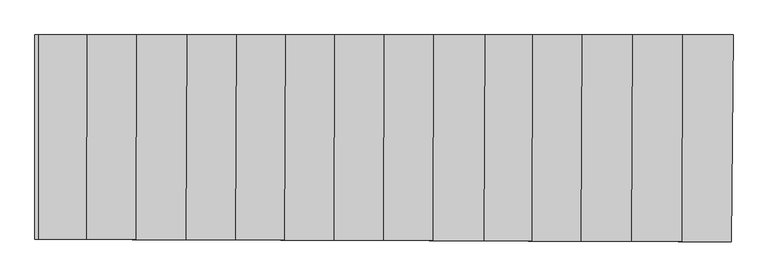
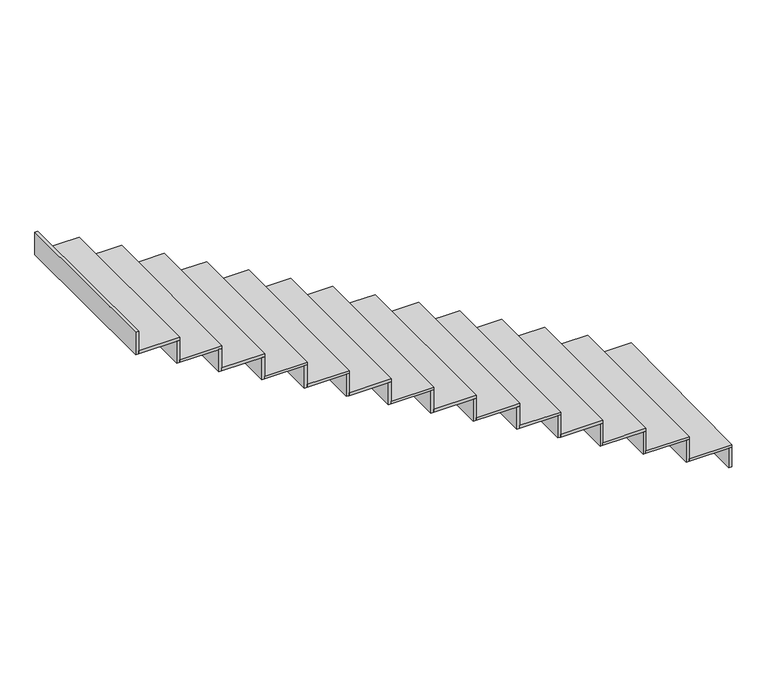
"""IFC4 building model written with IfcOpenShell, lengths in millimetres: stair flight geometry."""

import ifcopenshell
import ifcopenshell.guid

model = None  # the IFC model being written
_history = None  # IfcOwnerHistory: only IFC2X3 demands one
_inside = {}  # id of a spatial element -> (the spatial element, [elements in it])
_under = {}  # id of a project, library or spatial element -> (it, [spatial elements below it])
_declared = {}  # id of a project -> (the project, [libraries it declares])
_typed = {}  # id of a type object -> (the type object, [elements of that type])
_made_of = {}  # id of a material, layer set ... -> (it, [elements and type objects made of it])


def new_model(schema):
    """Start an empty IFC model of exactly this schema.

    Asked for "IFC4X3", IfcOpenShell would pick the latest addendum, in which some entities
    have other attributes; the version numbers below select the first issue.
    IFC2X3 requires an IfcOwnerHistory on every rooted entity: one is made here for all.
    """
    global model, _history
    if schema == "IFC4X3":
        model = ifcopenshell.file(schema_version=(4, 3, 0, 0))
    else:
        model = ifcopenshell.file(schema=schema)
    _inside.clear()
    _under.clear()
    _declared.clear()
    _typed.clear()
    _made_of.clear()
    _history = None
    if model.schema == "IFC2X3":
        org = make("IfcOrganization", Name="unknown")
        user = make(
            "IfcPersonAndOrganization",
            ThePerson=make("IfcPerson", FamilyName="unknown"),
            TheOrganization=org,
        )
        app = make(
            "IfcApplication",
            ApplicationDeveloper=org,
            Version="unknown",
            ApplicationFullName="unknown",
            ApplicationIdentifier="unknown",
        )
        _history = make(
            "IfcOwnerHistory",
            OwningUser=user,
            OwningApplication=app,
            ChangeAction="ADDED",
            CreationDate=0,
        )
    return model


def make(cls, **values):
    """One entity of the class cls with the attributes given. An attribute that is None is left unset."""
    return model.create_entity(
        cls, **{name: value for name, value in values.items() if value is not None}
    )


def rooted(cls, **values):
    """An entity with a GlobalId (a new one), such as an element, a storey or a relation."""
    return make(cls, GlobalId=ifcopenshell.guid.new(), OwnerHistory=_history, **values)


def si_unit(unit_type, name, prefix=None):
    """IfcSIUnit, for example si_unit("LENGTHUNIT", "METRE", prefix="MILLI")."""
    return make("IfcSIUnit", UnitType=unit_type, Prefix=prefix, Name=name)


def assignment(units):
    """IfcUnitAssignment: the units of a project."""
    return None if units is None else make("IfcUnitAssignment", Units=units)


def point(xyz):
    """IfcCartesianPoint."""
    return None if xyz is None else make("IfcCartesianPoint", Coordinates=xyz)


def direction(xyz):
    """IfcDirection."""
    return None if xyz is None else make("IfcDirection", DirectionRatios=xyz)


def frame(location, z_axis=None, x_axis=None):
    """IfcAxis2Placement3D, a coordinate frame: its origin and axes. An axis left out is left unset."""
    return make(
        "IfcAxis2Placement3D",
        Location=point(location),
        Axis=direction(z_axis),
        RefDirection=direction(x_axis),
    )


def origin():
    """The frame at (0, 0, 0) with its axes left unset."""
    return frame((0.0, 0.0, 0.0))


def place(relative_to, where):
    """IfcLocalPlacement: puts the frame where relative to a parent placement (None: the world)."""
    return make(
        "IfcLocalPlacement", PlacementRelTo=relative_to, RelativePlacement=where
    )


def context(
    kind, dimensions, precision=None, world=None, true_north=None, identifier=None
):
    """IfcGeometricRepresentationContext, for example the 3D "Model" context."""
    return make(
        "IfcGeometricRepresentationContext",
        ContextIdentifier=identifier,
        ContextType=kind,
        CoordinateSpaceDimension=dimensions,
        Precision=precision,
        WorldCoordinateSystem=world,
        TrueNorth=true_north,
    )


def project(units=None, contexts=None):
    """IfcProject with its units and contexts."""
    return rooted(
        "IfcProject",
        Name="project",
        RepresentationContexts=contexts,
        UnitsInContext=assignment(units),
    )


def spatial(cls, under=None, at=None, **own):
    """A site, building, storey or space (cls), placed at a placement, below another one or the project."""
    s = rooted(cls, ObjectPlacement=at, **own)
    if under is not None:
        _under.setdefault(under.id(), (under, []))[1].append(s)
    return s


def polyline(points):
    """IfcPolyline through the points."""
    return make("IfcPolyline", Points=[point(p) for p in points])


def outline(outer, holes=None, kind="AREA"):
    """IfcArbitraryClosedProfileDef: a profile drawn as a closed curve; with holes, ...WithVoids."""
    if holes is None:
        return make("IfcArbitraryClosedProfileDef", ProfileType=kind, OuterCurve=outer)
    return make(
        "IfcArbitraryProfileDefWithVoids",
        ProfileType=kind,
        OuterCurve=outer,
        InnerCurves=holes,
    )


def extrude(swept, where, along, depth):
    """IfcExtrudedAreaSolid: the profile swept, set in the frame where, extruded along a direction by depth."""
    return make(
        "IfcExtrudedAreaSolid",
        SweptArea=swept,
        Position=where,
        ExtrudedDirection=direction(along),
        Depth=depth,
    )


def shape(context_of_items, identifier, shape_type, items):
    """IfcShapeRepresentation: the items that make up one representation, for example the "Body"."""
    return make(
        "IfcShapeRepresentation",
        ContextOfItems=context_of_items,
        RepresentationIdentifier=identifier,
        RepresentationType=shape_type,
        Items=items,
    )


def source(mapping_origin, context_of_items, identifier, shape_type, items):
    """IfcRepresentationMap: a shape defined once, which mapped items show again and again."""
    return make(
        "IfcRepresentationMap",
        MappingOrigin=mapping_origin,
        MappedRepresentation=shape(context_of_items, identifier, shape_type, items),
    )


def transform(
    local_origin,
    x_axis=None,
    y_axis=None,
    z_axis=None,
    scale=None,
    scale2=None,
    scale3=None,
    uniform=True,
):
    """IfcCartesianTransformationOperator3D, or its non-uniform kind. x_axis, y_axis, z_axis: its Axis1, 2, 3."""
    if uniform:
        return make(
            "IfcCartesianTransformationOperator3D",
            Axis1=direction(x_axis),
            Axis2=direction(y_axis),
            LocalOrigin=point(local_origin),
            Scale=scale,
            Axis3=direction(z_axis),
        )
    return make(
        "IfcCartesianTransformationOperator3DnonUniform",
        Axis1=direction(x_axis),
        Axis2=direction(y_axis),
        LocalOrigin=point(local_origin),
        Scale=scale,
        Axis3=direction(z_axis),
        Scale2=scale2,
        Scale3=scale3,
    )


def mapped(mapping_source, mapping_target):
    """IfcMappedItem: shows the shape of a source again, moved by a transform."""
    return make(
        "IfcMappedItem", MappingSource=mapping_source, MappingTarget=mapping_target
    )


def made_of(thing, what):
    """Note that an element or type object is made of a material, layer set ...; save() writes the relation."""
    if what is not None:
        _made_of.setdefault(what.id(), (what, []))[1].append(thing)
    return thing


def element(
    cls,
    number,
    at=None,
    inside=None,
    cuts=None,
    type_object=None,
    material=None,
    context=None,
    identifier="Body",
    shape_type=None,
    held_by="IfcProductDefinitionShape",
    body=None,
    shapes=None,
    **own,
):
    """One element of the class cls, such as IfcWall. Its Tag is "e" and its number.

    at: its placement. inside: the storey or other place that contains it. cuts: it is an
    opening in that element (IfcRelVoidsElement). A single representation is given by context,
    identifier, shape_type and body (its items); several are given by shapes. held_by: the class
    of the entity that holds the representations. save() writes the other relations.
    """
    e = rooted(cls, Tag="e%d" % number, ObjectPlacement=at, **own)
    if body is not None:
        shapes = [shape(context, identifier, shape_type, body)]
    if shapes is not None:
        e.Representation = make(held_by, Representations=shapes)
    if inside is not None:
        _inside.setdefault(inside.id(), (inside, []))[1].append(e)
    if cuts is not None:
        rooted(
            "IfcRelVoidsElement", RelatingBuildingElement=cuts, RelatedOpeningElement=e
        )
    if type_object is not None:
        _typed.setdefault(type_object.id(), (type_object, []))[1].append(e)
    return made_of(e, material)


def aggregate(whole, parts):
    """IfcRelAggregates: a whole, such as a stair, and the parts it consists of."""
    return rooted("IfcRelAggregates", RelatingObject=whole, RelatedObjects=parts)


def save(model, path):
    """Write the relations noted so far, then the file.

    IfcRelAggregates (storeys below a building ...), IfcRelContainedInSpatialStructure (elements
    in a storey), IfcRelDefinesByType, IfcRelAssociatesMaterial and IfcRelDeclares: one each for
    every whole, place, type object, material and project.
    """
    for whole, parts in _under.values():
        aggregate(whole, parts)
    for where, things in _inside.values():
        rooted(
            "IfcRelContainedInSpatialStructure",
            RelatedElements=things,
            RelatingStructure=where,
        )
    for kind, things in _typed.values():
        rooted("IfcRelDefinesByType", RelatedObjects=things, RelatingType=kind)
    for what, things in _made_of.values():
        rooted("IfcRelAssociatesMaterial", RelatedObjects=things, RelatingMaterial=what)
    for by, libraries in _declared.values():
        rooted("IfcRelDeclares", RelatingContext=by, RelatedDefinitions=libraries)
    model.write(path)


def stair_flight_443aabad(model_context):
    return source(origin(), model_context, "Body", "SweptSolid", [
        extrude(outline(polyline([(60160.1308623, 1840.863915), (60180.131643, 1840.863915), (60169.4164849, 628.2266342), (60149.4163211, 628.2964597), (60160.1308623, 1840.863915)])), frame((0.0, 0.0, -2406.5), z_axis=(0.0, 0.0, 1.0), x_axis=(1.0, 0.0, 0.0)), (0.0, 0.0, 1.0), 141.1864079),
        extrude(outline(polyline([(59878.0318283, 629.2439304), (59882.328449, 1840.863915), (60180.131643, 1840.863915), (60169.4164849, 628.2266342), (59878.0318283, 629.2439304)])), frame((0.0, 0.0, -2265.3135921), z_axis=(0.0, 0.0, 1.0), x_axis=(1.0, 0.0, 0.0)), (0.0, 0.0, 1.0), 20.0),
        extrude(outline(polyline([(59862.3283232, 1840.863915), (59882.328449, 1840.863915), (59878.0318283, 629.2439304), (59858.0319502, 629.313755), (59862.3283232, 1840.863915)])), frame((0.0, 0.0, -2265.3135921), z_axis=(0.0, 0.0, 1.0), x_axis=(1.0, 0.0, 0.0)), (0.0, 0.0, 1.0), 161.1864079),
        extrude(outline(polyline([(59583.03372, 630.2738421), (59587.3266884, 1840.863915), (59882.328449, 1840.863915), (59878.0318283, 629.2439304), (59583.03372, 630.2738421)])), frame((0.0, 0.0, -2104.1271841), z_axis=(0.0, 0.0, 1.0), x_axis=(1.0, 0.0, 0.0)), (0.0, 0.0, 1.0), 20.0),
        extrude(outline(polyline([(59567.3265627, 1840.863915), (59587.3266884, 1840.863915), (59583.03372, 630.2738421), (59563.0338419, 630.3436667), (59567.3265627, 1840.863915)])), frame((0.0, 0.0, -2104.1271841), z_axis=(0.0, 0.0, 1.0), x_axis=(1.0, 0.0, 0.0)), (0.0, 0.0, 1.0), 161.1864079),
        extrude(outline(polyline([(59288.0356117, 631.3037538), (59292.3249279, 1840.863915), (59587.3266884, 1840.863915), (59583.03372, 630.2738421), (59288.0356117, 631.3037538)])), frame((0.0, 0.0, -1942.9407762), z_axis=(0.0, 0.0, 1.0), x_axis=(1.0, 0.0, 0.0)), (0.0, 0.0, 1.0), 20.0),
        extrude(outline(polyline([(59272.3248021, 1840.863915), (59292.3249279, 1840.863915), (59288.0356117, 631.3037538), (59268.0357336, 631.3735784), (59272.3248021, 1840.863915)])), frame((0.0, 0.0, -1942.9407762), z_axis=(0.0, 0.0, 1.0), x_axis=(1.0, 0.0, 0.0)), (0.0, 0.0, 1.0), 161.1864079),
        extrude(outline(polyline([(58998.0373158, 632.3162099), (59002.3230416, 1840.863915), (59292.3249279, 1840.863915), (59288.0356117, 631.3037538), (58998.0373158, 632.3162099)])), frame((0.0, 0.0, -1781.7543683), z_axis=(0.0, 0.0, 1.0), x_axis=(1.0, 0.0, 0.0)), (0.0, 0.0, 1.0), 20.0),
        extrude(outline(polyline([(58982.3229158, 1840.863915), (59002.3230416, 1840.863915), (58998.0373158, 632.3162099), (58978.0374376, 632.3860345), (58982.3229158, 1840.863915)])), frame((0.0, 0.0, -1781.7543683), z_axis=(0.0, 0.0, 1.0), x_axis=(1.0, 0.0, 0.0)), (0.0, 0.0, 1.0), 161.1864079),
        extrude(outline(polyline([(58718.0390217, 633.2937535), (58722.321281, 1840.863915), (59002.3230416, 1840.863915), (58998.0373158, 632.3162099), (58718.0390217, 633.2937535)])), frame((0.0, 0.0, -1620.5679604), z_axis=(0.0, 0.0, 1.0), x_axis=(1.0, 0.0, 0.0)), (0.0, 0.0, 1.0), 20.0),
        extrude(outline(polyline([(58702.3211553, 1840.863915), (58722.321281, 1840.863915), (58718.0390217, 633.2937535), (58698.0391436, 633.3635781), (58702.3211553, 1840.863915)])), frame((0.0, 0.0, -1620.5679604), z_axis=(0.0, 0.0, 1.0), x_axis=(1.0, 0.0, 0.0)), (0.0, 0.0, 1.0), 161.1864079),
        extrude(outline(polyline([(58418.0408496, 634.3411217), (58422.3193947, 1840.863915), (58722.321281, 1840.863915), (58718.0390217, 633.2937535), (58418.0408496, 634.3411217)])), frame((0.0, 0.0, -1459.3815524), z_axis=(0.0, 0.0, 1.0), x_axis=(1.0, 0.0, 0.0)), (0.0, 0.0, 1.0), 20.0),
        extrude(outline(polyline([(58402.319269, 1840.863915), (58422.3193947, 1840.863915), (58418.0408496, 634.3411217), (58398.0409715, 634.4109463), (58402.319269, 1840.863915)])), frame((0.0, 0.0, -1459.3815524), z_axis=(0.0, 0.0, 1.0), x_axis=(1.0, 0.0, 0.0)), (0.0, 0.0, 1.0), 161.1864079),
        extrude(outline(polyline([(58128.0426794, 635.3535774), (58132.3176342, 1840.863915), (58422.3193947, 1840.863915), (58418.0408496, 634.3411217), (58128.0426794, 635.3535774)])), frame((0.0, 0.0, -1298.1951445), z_axis=(0.0, 0.0, 1.0), x_axis=(1.0, 0.0, 0.0)), (0.0, 0.0, 1.0), 20.0),
        extrude(outline(polyline([(58112.3175084, 1840.863915), (58132.3176342, 1840.863915), (58128.0426794, 635.3535774), (58108.0428013, 635.4234019), (58112.3175084, 1840.863915)])), frame((0.0, 0.0, -1298.1951445), z_axis=(0.0, 0.0, 1.0), x_axis=(1.0, 0.0, 0.0)), (0.0, 0.0, 1.0), 161.1864079),
        extrude(outline(polyline([(57838.0443835, 636.3660335), (57842.3157479, 1840.863915), (58132.3176342, 1840.863915), (58128.0426794, 635.3535774), (57838.0443835, 636.3660335)])), frame((0.0, 0.0, -1137.0087366), z_axis=(0.0, 0.0, 1.0), x_axis=(1.0, 0.0, 0.0)), (0.0, 0.0, 1.0), 20.0),
        extrude(outline(polyline([(57822.3156221, 1840.863915), (57842.3157479, 1840.863915), (57838.0443835, 636.3660335), (57818.0445053, 636.435858), (57822.3156221, 1840.863915)])), frame((0.0, 0.0, -1137.0087366), z_axis=(0.0, 0.0, 1.0), x_axis=(1.0, 0.0, 0.0)), (0.0, 0.0, 1.0), 161.1864079),
        extrude(outline(polyline([(57548.0462133, 637.3784892), (57552.3139873, 1840.863915), (57842.3157479, 1840.863915), (57838.0443835, 636.3660335), (57548.0462133, 637.3784892)])), frame((0.0, 0.0, -975.8223286), z_axis=(0.0, 0.0, 1.0), x_axis=(1.0, 0.0, 0.0)), (0.0, 0.0, 1.0), 20.0),
        extrude(outline(polyline([(57532.3138616, 1840.863915), (57552.3139873, 1840.863915), (57548.0462133, 637.3784892), (57528.0463351, 637.4483137), (57532.3138616, 1840.863915)])), frame((0.0, 0.0, -975.8223286), z_axis=(0.0, 0.0, 1.0), x_axis=(1.0, 0.0, 0.0)), (0.0, 0.0, 1.0), 161.1864079),
        extrude(outline(polyline([(57260.9617498, 638.3807724), (57265.2259696, 1840.863915), (57552.3139873, 1840.863915), (57548.0462133, 637.3784892), (57260.9617498, 638.3807724)])), frame((0.0, 0.0, -814.6359207), z_axis=(0.0, 0.0, 1.0), x_axis=(1.0, 0.0, 0.0)), (0.0, 0.0, 1.0), 20.0),
        extrude(outline(polyline([(57245.2258439, 1840.863915), (57265.2259696, 1840.863915), (57260.9617498, 638.3807724), (57240.9618717, 638.4505969), (57245.2258439, 1840.863915)])), frame((0.0, 0.0, -814.6359207), z_axis=(0.0, 0.0, 1.0), x_axis=(1.0, 0.0, 0.0)), (0.0, 0.0, 1.0), 161.1864079),
        extrude(outline(polyline([(56970.8788963, 639.3935237), (56975.1395247, 1840.863915), (57265.2259696, 1840.863915), (57260.9617498, 638.3807724), (56970.8788963, 639.3935237)])), frame((0.0, 0.0, -653.4495128), z_axis=(0.0, 0.0, 1.0), x_axis=(1.0, 0.0, 0.0)), (0.0, 0.0, 1.0), 20.0),
        extrude(outline(polyline([(56955.139399, 1840.863915), (56975.1395247, 1840.863915), (56970.8788963, 639.3935237), (56950.8790182, 639.4633482), (56955.139399, 1840.863915)])), frame((0.0, 0.0, -653.4495128), z_axis=(0.0, 0.0, 1.0), x_axis=(1.0, 0.0, 0.0)), (0.0, 0.0, 1.0), 161.1864079),
        extrude(outline(polyline([(56675.8807566, 640.4234355), (56680.1377327, 1840.863915), (56975.1395247, 1840.863915), (56970.8788963, 639.3935237), (56675.8807566, 640.4234355)])), frame((0.0, 0.0, -492.2631049), z_axis=(0.0, 0.0, 1.0), x_axis=(1.0, 0.0, 0.0)), (0.0, 0.0, 1.0), 20.0),
        extrude(outline(polyline([(56660.137607, 1840.863915), (56680.1377327, 1840.863915), (56675.8807566, 640.4234355), (56655.8808784, 640.4932601), (56660.137607, 1840.863915)])), frame((0.0, 0.0, -492.2631049), z_axis=(0.0, 0.0, 1.0), x_axis=(1.0, 0.0, 0.0)), (0.0, 0.0, 1.0), 161.1864079),
        extrude(outline(polyline([(56385.8825235, 641.4358914), (56390.1359093, 1840.863915), (56680.1377327, 1840.863915), (56675.8807566, 640.4234355), (56385.8825235, 641.4358914)])), frame((0.0, 0.0, -331.0766969), z_axis=(0.0, 0.0, 1.0), x_axis=(1.0, 0.0, 0.0)), (0.0, 0.0, 1.0), 20.0),
        extrude(outline(polyline([(56370.1357836, 1840.863915), (56390.1359093, 1840.863915), (56385.8825235, 641.4358914), (56365.8826454, 641.505716), (56370.1357836, 1840.863915)])), frame((0.0, 0.0, -331.0766969), z_axis=(0.0, 0.0, 1.0), x_axis=(1.0, 0.0, 0.0)), (0.0, 0.0, 1.0), 161.1864079),
        extrude(outline(polyline([(56085.2124324, 1840.863915), (56105.2124324, 1840.863915), (56105.2124324, 642.4157804), (56085.2124324, 642.4856054), (56085.2124324, 1840.863915)])), frame((0.0, 0.0, -169.890289), z_axis=(0.0, 0.0, 1.0), x_axis=(1.0, 0.0, 0.0)), (0.0, 0.0, 1.0), 161.1864079),
        extrude(outline(polyline([(56105.2124324, 642.4157804), (56105.2124324, 1840.863915), (56390.1359093, 1840.863915), (56385.8825235, 641.4358914), (56105.2124324, 642.4157804)])), frame((0.0, 0.0, -169.890289), z_axis=(0.0, 0.0, 1.0), x_axis=(1.0, 0.0, 0.0)), (0.0, 0.0, 1.0), 20.0),
    ])


if __name__ == "__main__":
    model = new_model("IFC4")
    model_context = context("Model", 3, world=origin())
    ifc_project = project(units=[si_unit("LENGTHUNIT", "METRE", prefix="MILLI")], contexts=[model_context])
    site = spatial("IfcSite", under=ifc_project)
    building = spatial("IfcBuilding", under=site)
    placement = place(None, origin())
    stair_flight_shape = stair_flight_443aabad(model_context)
    element("IfcStairFlight", 1, at=placement, inside=building, context=model_context, shape_type="MappedRepresentation", body=[
        mapped(stair_flight_shape, transform((0.0, 0.0, 0.0), x_axis=(1.0, 0.0, 0.0), y_axis=(0.0, 1.0, 0.0), z_axis=(0.0, 0.0, 1.0))),
    ])
    save(model, "model.ifc")
